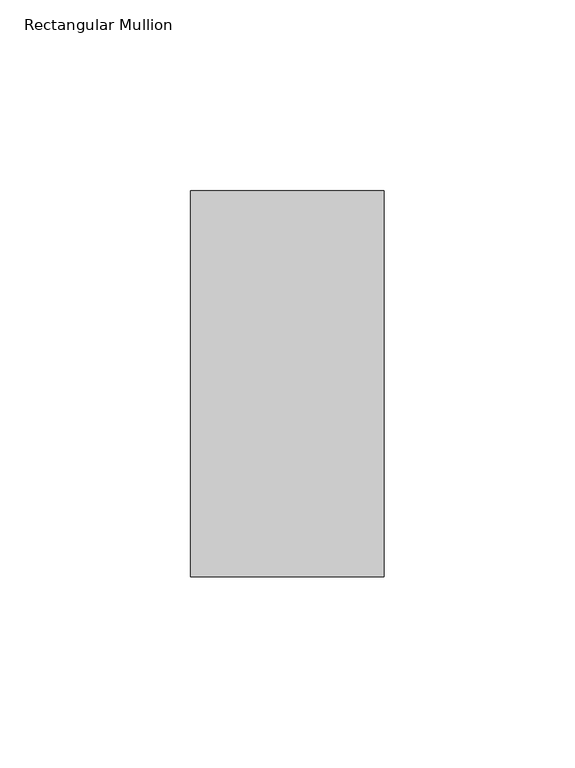
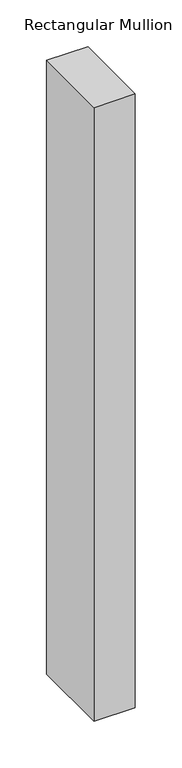
"""IFC4 building model written with IfcOpenShell, lengths in millimetres: member geometry, Rectangular Mullion."""

from ifc_helpers import new_model, si_unit, frame, origin, place, context, project, spatial, polyline, outline, extrude, source, transform, mapped, element, save


def rectangular_mullion_56b050c9(model_context):
    return source(origin(), model_context, "Body", "SweptSolid", [
        extrude(outline(polyline([(-25.4, 152.4988119), (25.4, 152.4988119), (25.4, 51.2960938), (-25.4, 51.2960938), (-25.4, 152.4988119)])), frame((0.0, 0.0, -800.1), z_axis=(0.0, 0.0, 1.0), x_axis=(1.0, 0.0, 0.0)), (0.0, 0.0, 1.0), 800.1),
    ])


if __name__ == "__main__":
    model = new_model("IFC4")
    model_context = context("Model", 3, world=origin())
    ifc_project = project(units=[si_unit("LENGTHUNIT", "METRE", prefix="MILLI")], contexts=[model_context])
    site = spatial("IfcSite", under=ifc_project)
    building = spatial("IfcBuilding", under=site)
    placement = place(None, origin())
    rectangular_mullion_shape = rectangular_mullion_56b050c9(model_context)
    element("IfcMember", 1, ObjectType="Rectangular Mullion", at=placement, inside=building, context=model_context, shape_type="MappedRepresentation", body=[
        mapped(rectangular_mullion_shape, transform((0.0, 0.0, 0.0), x_axis=(1.0, 0.0, 0.0), y_axis=(0.0, 1.0, 0.0), z_axis=(0.0, 0.0, 1.0))),
    ])
    save(model, "model.ifc")
